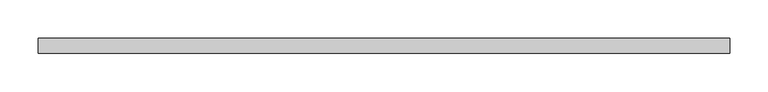
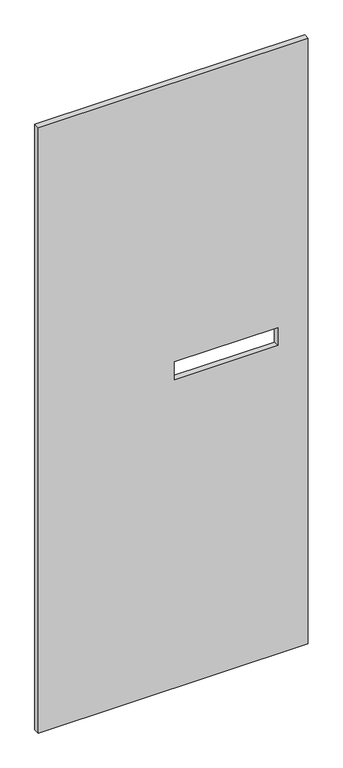
"""IFC4 building model written with IfcOpenShell, lengths in millimetres: proxy geometry."""

from ifc_helpers import new_model, si_unit, frame, origin, place, context, project, spatial, polyline, outline, extrude, source, transform, mapped, element, save


def specialty_equipment_34e79836(model_context):
    return source(origin(), model_context, "Body", "SweptSolid", [
        extrude(outline(polyline([(2130.425, -448.9704), (3.175, -448.9704), (3.175, 448.9704), (2130.425, 448.9704), (2130.425, -448.9704)]), holes=[polyline([(1086.485, 348.488), (1086.485, 4.064), (1148.715, 4.064), (1148.715, 348.488), (1086.485, 348.488)])]), frame((0.0, -9.525, 0.0), z_axis=(0.0, 1.0, 0.0), x_axis=(0.0, 0.0, 1.0)), (0.0, 0.0, 1.0), 19.05),
    ])


if __name__ == "__main__":
    model = new_model("IFC4")
    model_context = context("Model", 3, world=origin())
    ifc_project = project(units=[si_unit("LENGTHUNIT", "METRE", prefix="MILLI")], contexts=[model_context])
    site = spatial("IfcSite", under=ifc_project)
    building = spatial("IfcBuilding", under=site)
    placement = place(None, origin())
    specialty_equipment_shape = specialty_equipment_34e79836(model_context)
    element("IfcBuildingElementProxy", 1, Name="Specialty Equipment", at=placement, inside=building, context=model_context, shape_type="MappedRepresentation", body=[
        mapped(specialty_equipment_shape, transform((0.0, 0.0, 0.0), x_axis=(1.0, 0.0, 0.0), y_axis=(0.0, 1.0, 0.0), z_axis=(0.0, 0.0, 1.0))),
    ])
    save(model, "model.ifc")
